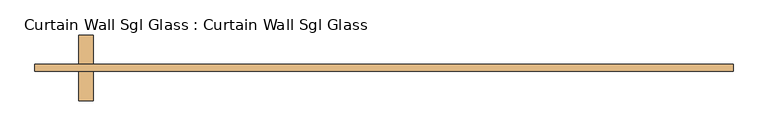
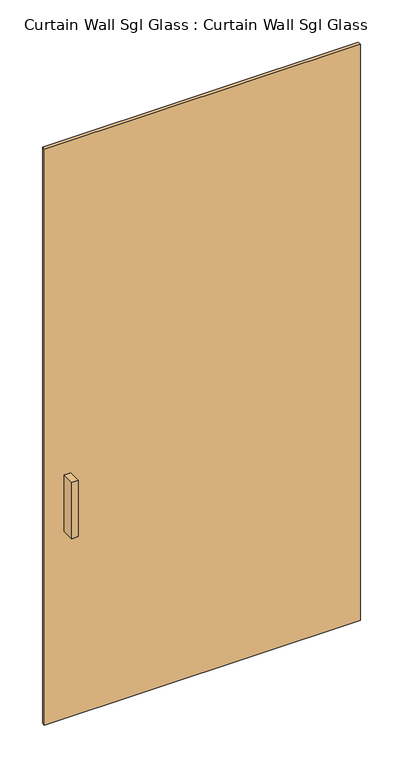
"""IFC4 building model written with IfcOpenShell, lengths in millimetres: door geometry, Curtain Wall Sgl Glass : Curtain Wall Sgl Glass."""

import ifcopenshell
import ifcopenshell.guid

model = None  # the IFC model being written
_history = None  # IfcOwnerHistory: only IFC2X3 demands one
_inside = {}  # id of a spatial element -> (the spatial element, [elements in it])
_under = {}  # id of a project, library or spatial element -> (it, [spatial elements below it])
_declared = {}  # id of a project -> (the project, [libraries it declares])
_typed = {}  # id of a type object -> (the type object, [elements of that type])
_made_of = {}  # id of a material, layer set ... -> (it, [elements and type objects made of it])


def new_model(schema):
    """Start an empty IFC model of exactly this schema.

    Asked for "IFC4X3", IfcOpenShell would pick the latest addendum, in which some entities
    have other attributes; the version numbers below select the first issue.
    IFC2X3 requires an IfcOwnerHistory on every rooted entity: one is made here for all.
    """
    global model, _history
    if schema == "IFC4X3":
        model = ifcopenshell.file(schema_version=(4, 3, 0, 0))
    else:
        model = ifcopenshell.file(schema=schema)
    _inside.clear()
    _under.clear()
    _declared.clear()
    _typed.clear()
    _made_of.clear()
    _history = None
    if model.schema == "IFC2X3":
        org = make("IfcOrganization", Name="unknown")
        user = make(
            "IfcPersonAndOrganization",
            ThePerson=make("IfcPerson", FamilyName="unknown"),
            TheOrganization=org,
        )
        app = make(
            "IfcApplication",
            ApplicationDeveloper=org,
            Version="unknown",
            ApplicationFullName="unknown",
            ApplicationIdentifier="unknown",
        )
        _history = make(
            "IfcOwnerHistory",
            OwningUser=user,
            OwningApplication=app,
            ChangeAction="ADDED",
            CreationDate=0,
        )
    return model


def make(cls, **values):
    """One entity of the class cls with the attributes given. An attribute that is None is left unset."""
    return model.create_entity(
        cls, **{name: value for name, value in values.items() if value is not None}
    )


def rooted(cls, **values):
    """An entity with a GlobalId (a new one), such as an element, a storey or a relation."""
    return make(cls, GlobalId=ifcopenshell.guid.new(), OwnerHistory=_history, **values)


def si_unit(unit_type, name, prefix=None):
    """IfcSIUnit, for example si_unit("LENGTHUNIT", "METRE", prefix="MILLI")."""
    return make("IfcSIUnit", UnitType=unit_type, Prefix=prefix, Name=name)


def assignment(units):
    """IfcUnitAssignment: the units of a project."""
    return None if units is None else make("IfcUnitAssignment", Units=units)


def point(xyz):
    """IfcCartesianPoint."""
    return None if xyz is None else make("IfcCartesianPoint", Coordinates=xyz)


def direction(xyz):
    """IfcDirection."""
    return None if xyz is None else make("IfcDirection", DirectionRatios=xyz)


def frame(location, z_axis=None, x_axis=None):
    """IfcAxis2Placement3D, a coordinate frame: its origin and axes. An axis left out is left unset."""
    return make(
        "IfcAxis2Placement3D",
        Location=point(location),
        Axis=direction(z_axis),
        RefDirection=direction(x_axis),
    )


def origin():
    """The frame at (0, 0, 0) with its axes left unset."""
    return frame((0.0, 0.0, 0.0))


def origin_with_axes():
    """The frame at (0, 0, 0) with the z axis (0, 0, 1) and the x axis (1, 0, 0) written out."""
    return frame((0.0, 0.0, 0.0), z_axis=(0.0, 0.0, 1.0), x_axis=(1.0, 0.0, 0.0))


def place(relative_to, where):
    """IfcLocalPlacement: puts the frame where relative to a parent placement (None: the world)."""
    return make(
        "IfcLocalPlacement", PlacementRelTo=relative_to, RelativePlacement=where
    )


def context(
    kind, dimensions, precision=None, world=None, true_north=None, identifier=None
):
    """IfcGeometricRepresentationContext, for example the 3D "Model" context."""
    return make(
        "IfcGeometricRepresentationContext",
        ContextIdentifier=identifier,
        ContextType=kind,
        CoordinateSpaceDimension=dimensions,
        Precision=precision,
        WorldCoordinateSystem=world,
        TrueNorth=true_north,
    )


def project(units=None, contexts=None):
    """IfcProject with its units and contexts."""
    return rooted(
        "IfcProject",
        Name="project",
        RepresentationContexts=contexts,
        UnitsInContext=assignment(units),
    )


def spatial(cls, under=None, at=None, **own):
    """A site, building, storey or space (cls), placed at a placement, below another one or the project."""
    s = rooted(cls, ObjectPlacement=at, **own)
    if under is not None:
        _under.setdefault(under.id(), (under, []))[1].append(s)
    return s


def polyline(points):
    """IfcPolyline through the points."""
    return make("IfcPolyline", Points=[point(p) for p in points])


def outline(outer, holes=None, kind="AREA"):
    """IfcArbitraryClosedProfileDef: a profile drawn as a closed curve; with holes, ...WithVoids."""
    if holes is None:
        return make("IfcArbitraryClosedProfileDef", ProfileType=kind, OuterCurve=outer)
    return make(
        "IfcArbitraryProfileDefWithVoids",
        ProfileType=kind,
        OuterCurve=outer,
        InnerCurves=holes,
    )


def extrude(swept, where, along, depth):
    """IfcExtrudedAreaSolid: the profile swept, set in the frame where, extruded along a direction by depth."""
    return make(
        "IfcExtrudedAreaSolid",
        SweptArea=swept,
        Position=where,
        ExtrudedDirection=direction(along),
        Depth=depth,
    )


def shape(context_of_items, identifier, shape_type, items):
    """IfcShapeRepresentation: the items that make up one representation, for example the "Body"."""
    return make(
        "IfcShapeRepresentation",
        ContextOfItems=context_of_items,
        RepresentationIdentifier=identifier,
        RepresentationType=shape_type,
        Items=items,
    )


def source(mapping_origin, context_of_items, identifier, shape_type, items):
    """IfcRepresentationMap: a shape defined once, which mapped items show again and again."""
    return make(
        "IfcRepresentationMap",
        MappingOrigin=mapping_origin,
        MappedRepresentation=shape(context_of_items, identifier, shape_type, items),
    )


def transform(
    local_origin,
    x_axis=None,
    y_axis=None,
    z_axis=None,
    scale=None,
    scale2=None,
    scale3=None,
    uniform=True,
):
    """IfcCartesianTransformationOperator3D, or its non-uniform kind. x_axis, y_axis, z_axis: its Axis1, 2, 3."""
    if uniform:
        return make(
            "IfcCartesianTransformationOperator3D",
            Axis1=direction(x_axis),
            Axis2=direction(y_axis),
            LocalOrigin=point(local_origin),
            Scale=scale,
            Axis3=direction(z_axis),
        )
    return make(
        "IfcCartesianTransformationOperator3DnonUniform",
        Axis1=direction(x_axis),
        Axis2=direction(y_axis),
        LocalOrigin=point(local_origin),
        Scale=scale,
        Axis3=direction(z_axis),
        Scale2=scale2,
        Scale3=scale3,
    )


def mapped(mapping_source, mapping_target):
    """IfcMappedItem: shows the shape of a source again, moved by a transform."""
    return make(
        "IfcMappedItem", MappingSource=mapping_source, MappingTarget=mapping_target
    )


def made_of(thing, what):
    """Note that an element or type object is made of a material, layer set ...; save() writes the relation."""
    if what is not None:
        _made_of.setdefault(what.id(), (what, []))[1].append(thing)
    return thing


def element(
    cls,
    number,
    at=None,
    inside=None,
    cuts=None,
    type_object=None,
    material=None,
    context=None,
    identifier="Body",
    shape_type=None,
    held_by="IfcProductDefinitionShape",
    body=None,
    shapes=None,
    **own,
):
    """One element of the class cls, such as IfcWall. Its Tag is "e" and its number.

    at: its placement. inside: the storey or other place that contains it. cuts: it is an
    opening in that element (IfcRelVoidsElement). A single representation is given by context,
    identifier, shape_type and body (its items); several are given by shapes. held_by: the class
    of the entity that holds the representations. save() writes the other relations.
    """
    e = rooted(cls, Tag="e%d" % number, ObjectPlacement=at, **own)
    if body is not None:
        shapes = [shape(context, identifier, shape_type, body)]
    if shapes is not None:
        e.Representation = make(held_by, Representations=shapes)
    if inside is not None:
        _inside.setdefault(inside.id(), (inside, []))[1].append(e)
    if cuts is not None:
        rooted(
            "IfcRelVoidsElement", RelatingBuildingElement=cuts, RelatedOpeningElement=e
        )
    if type_object is not None:
        _typed.setdefault(type_object.id(), (type_object, []))[1].append(e)
    return made_of(e, material)


def aggregate(whole, parts):
    """IfcRelAggregates: a whole, such as a stair, and the parts it consists of."""
    return rooted("IfcRelAggregates", RelatingObject=whole, RelatedObjects=parts)


def save(model, path):
    """Write the relations noted so far, then the file.

    IfcRelAggregates (storeys below a building ...), IfcRelContainedInSpatialStructure (elements
    in a storey), IfcRelDefinesByType, IfcRelAssociatesMaterial and IfcRelDeclares: one each for
    every whole, place, type object, material and project.
    """
    for whole, parts in _under.values():
        aggregate(whole, parts)
    for where, things in _inside.values():
        rooted(
            "IfcRelContainedInSpatialStructure",
            RelatedElements=things,
            RelatingStructure=where,
        )
    for kind, things in _typed.values():
        rooted("IfcRelDefinesByType", RelatedObjects=things, RelatingType=kind)
    for what, things in _made_of.values():
        rooted("IfcRelAssociatesMaterial", RelatedObjects=things, RelatingMaterial=what)
    for by, libraries in _declared.values():
        rooted("IfcRelDeclares", RelatingContext=by, RelatedDefinitions=libraries)
    model.write(path)


def curtain_wall_sgl_glass_curtain_wall_sgl_glass_9d87ee74(model_context):
    return source(origin(), model_context, "Body", "SweptSolid", [
        extrude(outline(polyline([(-506.73, -12.7), (-532.13, -12.7), (-532.13, 38.1), (-506.73, 38.1), (-506.73, -12.7)])), frame((0.0, 0.0, 762.0), z_axis=(0.0, 0.0, 1.0), x_axis=(1.0, 0.0, 0.0)), (0.0, 0.0, 1.0), 228.6),
        extrude(outline(polyline([(-532.13, 101.6), (-506.73, 101.6), (-506.73, 50.8), (-532.13, 50.8), (-532.13, 101.6)])), frame((0.0, 0.0, 762.0), z_axis=(0.0, 0.0, 1.0), x_axis=(1.0, 0.0, 0.0)), (0.0, 0.0, 1.0), 228.6),
        extrude(outline(polyline([(608.33, 50.8), (608.33, 38.1), (-608.33, 38.1), (-608.33, 50.8), (608.33, 50.8)])), origin_with_axes(), (0.0, 0.0, 1.0), 2343.15),
    ])


if __name__ == "__main__":
    model = new_model("IFC4")
    model_context = context("Model", 3, world=origin())
    ifc_project = project(units=[si_unit("LENGTHUNIT", "METRE", prefix="MILLI")], contexts=[model_context])
    site = spatial("IfcSite", under=ifc_project)
    building = spatial("IfcBuilding", under=site)
    placement = place(None, origin())
    curtain_wall_sgl_glass_curtain_wall_sgl_glass_shape = curtain_wall_sgl_glass_curtain_wall_sgl_glass_9d87ee74(model_context)
    element("IfcDoor", 1, ObjectType="Curtain Wall Sgl Glass : Curtain Wall Sgl Glass", at=placement, inside=building, context=model_context, shape_type="MappedRepresentation", body=[
        mapped(curtain_wall_sgl_glass_curtain_wall_sgl_glass_shape, transform((0.0, 0.0, 0.0), x_axis=(1.0, 0.0, 0.0), y_axis=(0.0, 1.0, 0.0), z_axis=(0.0, 0.0, 1.0))),
    ])
    save(model, "model.ifc")
